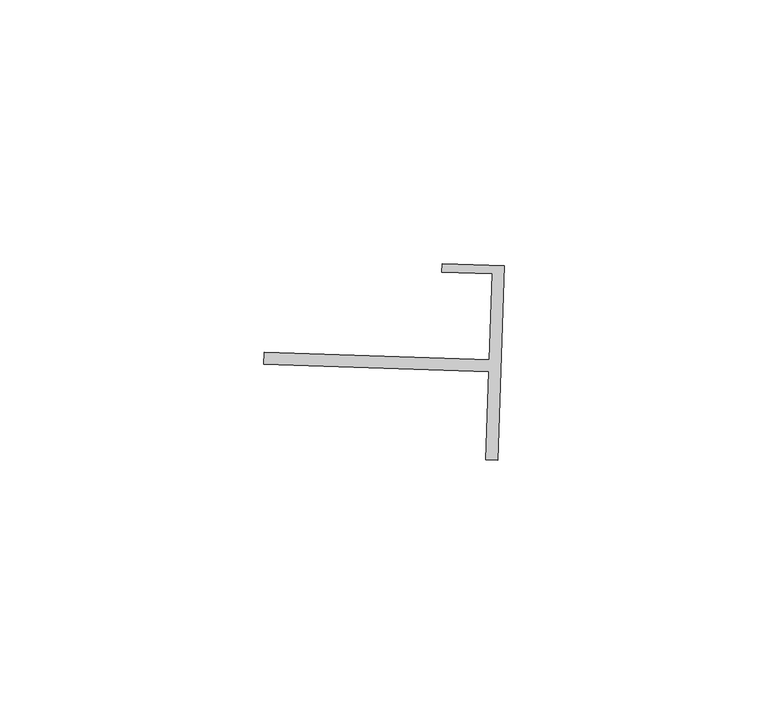
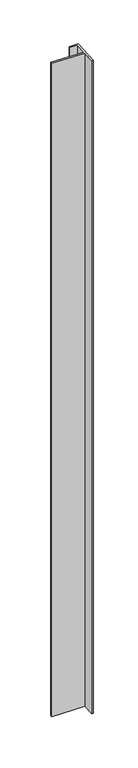
"""IFC4 building model written with IfcOpenShell, lengths in millimetres: proxy geometry."""

from ifc_helpers import new_model, si_unit, frame, origin, place, context, project, spatial, polyline, outline, extrude, source, transform, mapped, element, save


def generic_models_a4992195(model_context):
    return source(origin(), model_context, "Body", "SweptSolid", [
        extrude(outline(polyline([(32264.1868454, -15324.1058981), (32264.2416065, -15322.5057146), (32276.0518173, -15322.9100755), (32274.7904274, -15359.7693236), (32272.5045758, -15359.6910977), (32273.0749724, -15343.0234579), (32230.4058068, -15341.5632421), (32230.484036, -15339.2772934), (32273.1532019, -15340.7375092), (32273.7112111, -15324.431839), (32264.1868454, -15324.1058981)])), frame((0.0, 0.0, 1597.975708), z_axis=(0.0, 0.0, 1.0), x_axis=(1.0, 0.0, 0.0)), (0.0, 0.0, 1.0), 914.4),
    ])


if __name__ == "__main__":
    model = new_model("IFC4")
    model_context = context("Model", 3, world=origin())
    ifc_project = project(units=[si_unit("LENGTHUNIT", "METRE", prefix="MILLI")], contexts=[model_context])
    site = spatial("IfcSite", under=ifc_project)
    building = spatial("IfcBuilding", under=site)
    placement = place(None, origin())
    generic_models_shape = generic_models_a4992195(model_context)
    element("IfcBuildingElementProxy", 1, Name="Generic Models", at=placement, inside=building, context=model_context, shape_type="MappedRepresentation", body=[
        mapped(generic_models_shape, transform((0.0, 0.0, 0.0), x_axis=(1.0, 0.0, 0.0), y_axis=(0.0, 1.0, 0.0), z_axis=(0.0, 0.0, 1.0))),
    ])
    save(model, "model.ifc")
